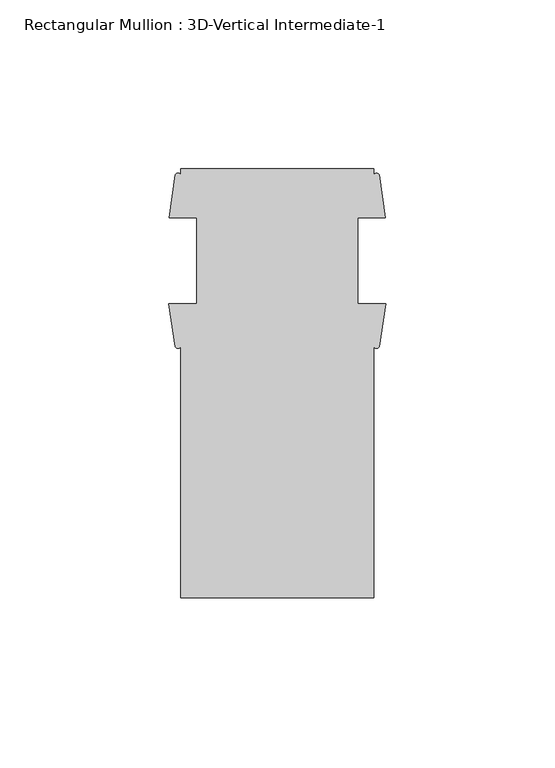
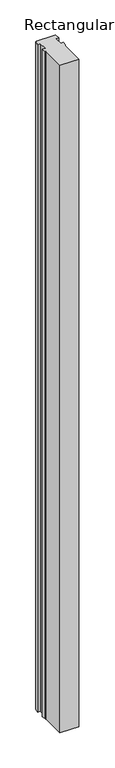
"""IFC4 building model written with IfcOpenShell, lengths in millimetres: member geometry, Rectangular Mullion : 3D-Vertical Intermediate-1."""

from ifc_helpers import new_model, si_unit, point, frame, frame_2d, origin, place, context, project, spatial, polyline, circle_curve, trimmed, segment, composite_curve, outline, extrude, source, transform, mapped, element, save


def rectangular_mullion_3d_vertical_intermediate_1_d098411b(model_context):
    return source(origin(), model_context, "Body", "SweptSolid", [
        extrude(outline(composite_curve([segment(polyline([(-28.575, -73.025), (-28.575, 1.2984222)]), True, "CONTINUOUS"), segment(trimmed(circle_curve(frame_2d((-29.4067022, 1.834513)), 0.9895059), [point((-28.575, 1.2984222))], [point((-30.2384044, 1.2984222))], False, "CARTESIAN"), True, "CONTINUOUS"), segment(polyline([(-30.2384044, 1.2984222), (-32.0945217, 14.071475), (-23.8125, 14.071475), (-23.8125, 39.471475), (-31.971, 39.471475), (-30.1608963, 52.2427625)]), True, "CONTINUOUS"), segment(trimmed(circle_curve(frame_2d((-29.3679481, 51.7698358)), 0.9232694), [point((-30.1608963, 52.2427625))], [point((-28.575, 52.2427625))], False, "CARTESIAN"), True, "CONTINUOUS"), segment(polyline([(-28.575, 52.2427625), (-28.575, 53.975), (28.575, 53.975), (28.575, 52.2427625)]), True, "CONTINUOUS"), segment(trimmed(circle_curve(frame_2d((29.3679481, 51.7864126)), 0.914889), [point((28.575, 52.2427625))], [point((30.1608963, 52.2427625))], False, "CARTESIAN"), True, "CONTINUOUS"), segment(polyline([(30.1608963, 52.2427625), (31.971, 39.471475), (23.8125, 39.471475), (23.8125, 14.071475), (32.0945217, 14.071475), (30.2384044, 1.2984222)]), True, "CONTINUOUS"), segment(trimmed(circle_curve(frame_2d((29.4067022, 1.8757809)), 1.0124582), [point((30.2384044, 1.2984222))], [point((28.575, 1.2984222))], False, "CARTESIAN"), True, "CONTINUOUS"), segment(polyline([(28.575, 1.2984222), (28.575, -73.025), (-28.575, -73.025)]), True, "CONTINUOUS")], self_intersect=False)), frame((0.0, 0.0, -2162.1488234), z_axis=(0.0, 0.0, 1.0), x_axis=(1.0, 0.0, 0.0)), (0.0, 0.0, 1.0), 2162.1488234),
    ])


if __name__ == "__main__":
    model = new_model("IFC4")
    model_context = context("Model", 3, world=origin())
    ifc_project = project(units=[si_unit("LENGTHUNIT", "METRE", prefix="MILLI")], contexts=[model_context])
    site = spatial("IfcSite", under=ifc_project)
    building = spatial("IfcBuilding", under=site)
    placement = place(None, origin())
    rectangular_mullion_3d_vertical_intermediate_1_shape = rectangular_mullion_3d_vertical_intermediate_1_d098411b(model_context)
    element("IfcMember", 1, ObjectType="Rectangular Mullion : 3D-Vertical Intermediate-1", at=placement, inside=building, context=model_context, shape_type="MappedRepresentation", body=[
        mapped(rectangular_mullion_3d_vertical_intermediate_1_shape, transform((0.0, 0.0, 0.0), x_axis=(1.0, 0.0, 0.0), y_axis=(0.0, 1.0, 0.0), z_axis=(0.0, 0.0, 1.0))),
    ])
    save(model, "model.ifc")
